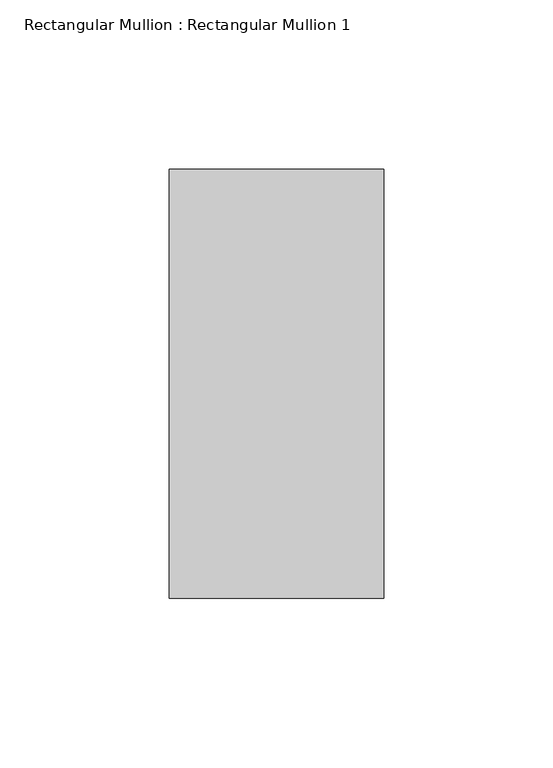
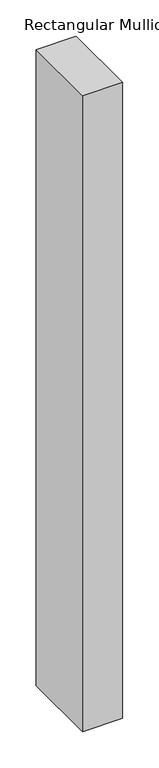
"""IFC4 building model written with IfcOpenShell, lengths in millimetres: member geometry, Rectangular Mullion : Rectangular Mullion 1."""

from ifc_helpers import new_model, si_unit, frame, origin, place, context, project, spatial, polyline, outline, extrude, source, transform, mapped, element, save


def rectangular_mullion_rectangular_mullion_1_c4de40ee(model_context):
    return source(origin(), model_context, "Body", "SweptSolid", [
        extrude(outline(polyline([(0.0, 63.5), (0.0, -63.5), (-63.5, -63.5), (-63.5, 63.5), (0.0, 63.5)])), frame((0.0, 0.0, -1066.8), z_axis=(0.0, 0.0, 1.0), x_axis=(1.0, 0.0, 0.0)), (0.0, 0.0, 1.0), 1066.8),
    ])


if __name__ == "__main__":
    model = new_model("IFC4")
    model_context = context("Model", 3, world=origin())
    ifc_project = project(units=[si_unit("LENGTHUNIT", "METRE", prefix="MILLI")], contexts=[model_context])
    site = spatial("IfcSite", under=ifc_project)
    building = spatial("IfcBuilding", under=site)
    placement = place(None, origin())
    rectangular_mullion_rectangular_mullion_1_shape = rectangular_mullion_rectangular_mullion_1_c4de40ee(model_context)
    element("IfcMember", 1, ObjectType="Rectangular Mullion : Rectangular Mullion 1", at=placement, inside=building, context=model_context, shape_type="MappedRepresentation", body=[
        mapped(rectangular_mullion_rectangular_mullion_1_shape, transform((0.0, 0.0, 0.0), x_axis=(1.0, 0.0, 0.0), y_axis=(0.0, 1.0, 0.0), z_axis=(0.0, 0.0, 1.0))),
    ])
    save(model, "model.ifc")
